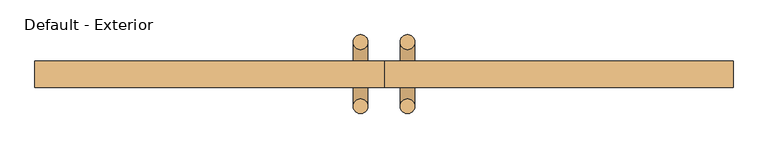
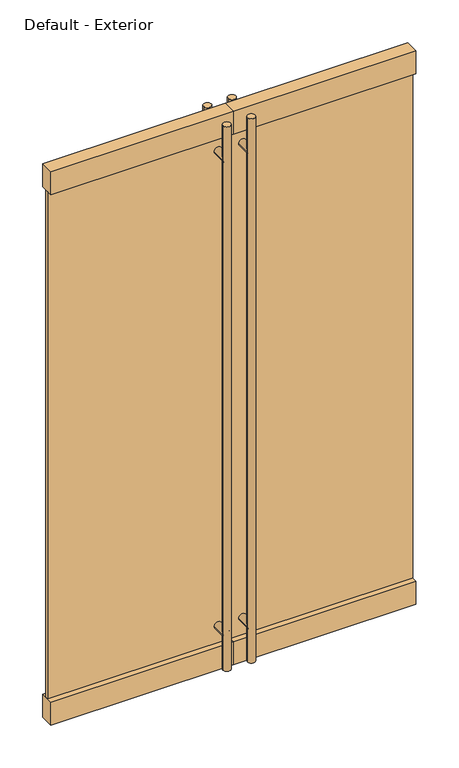
"""IFC4 building model written with IfcOpenShell, lengths in millimetres: door geometry, Default - Exterior."""

from ifc_helpers import new_model, si_unit, point, frame, frame_2d, origin, origin_with_axes, place, context, project, spatial, polyline, circle_curve, trimmed, segment, composite_curve, outline, extrude, source, transform, mapped, element, save


def default_exterior_d0bf066a(model_context):
    return source(origin(), model_context, "Body", "SweptSolid", [
        extrude(outline(composite_curve([segment(trimmed(circle_curve(frame_2d((2260.6, -50.8)), 15.875), [point((2260.6, -34.925))], [point((2260.6, -66.675))], False, "CARTESIAN"), True, "CONTINUOUS"), segment(trimmed(circle_curve(frame_2d((2260.6, -50.8)), 15.875), [point((2260.6, -66.675))], [point((2260.6, -34.925))], False, "CARTESIAN"), True, "CONTINUOUS")], self_intersect=False)), frame((0.0, -98.425, 0.0), z_axis=(0.0, 1.0, 0.0), x_axis=(0.0, 0.0, 1.0)), (0.0, 0.0, 1.0), 139.7),
        extrude(outline(composite_curve([segment(trimmed(circle_curve(frame_2d((177.8, -50.8)), 15.875), [point((177.8, -34.925))], [point((177.8, -66.675))], False, "CARTESIAN"), True, "CONTINUOUS"), segment(trimmed(circle_curve(frame_2d((177.8, -50.8)), 15.875), [point((177.8, -66.675))], [point((177.8, -34.925))], False, "CARTESIAN"), True, "CONTINUOUS")], self_intersect=False)), frame((0.0, -98.425, 0.0), z_axis=(0.0, 1.0, 0.0), x_axis=(0.0, 0.0, 1.0)), (0.0, 0.0, 1.0), 139.7),
        extrude(outline(composite_curve([segment(trimmed(circle_curve(frame_2d((-50.8, -98.425)), 15.875), [point((-34.925, -98.425))], [point((-66.675, -98.425))], False, "CARTESIAN"), True, "CONTINUOUS"), segment(trimmed(circle_curve(frame_2d((-50.8, -98.425)), 15.875), [point((-66.675, -98.425))], [point((-34.925, -98.425))], False, "CARTESIAN"), True, "CONTINUOUS")], self_intersect=False)), frame((0.0, 0.0, 25.4), z_axis=(0.0, 0.0, 1.0), x_axis=(1.0, 0.0, 0.0)), (0.0, 0.0, 1.0), 2387.6),
        extrude(outline(composite_curve([segment(trimmed(circle_curve(frame_2d((-50.8, 41.275)), 15.875), [point((-34.925, 41.275))], [point((-66.675, 41.275))], False, "CARTESIAN"), True, "CONTINUOUS"), segment(trimmed(circle_curve(frame_2d((-50.8, 41.275)), 15.875), [point((-66.675, 41.275))], [point((-34.925, 41.275))], False, "CARTESIAN"), True, "CONTINUOUS")], self_intersect=False)), frame((0.0, 0.0, 25.4), z_axis=(0.0, 0.0, 1.0), x_axis=(1.0, 0.0, 0.0)), (0.0, 0.0, 1.0), 2387.6),
        extrude(outline(composite_curve([segment(trimmed(circle_curve(frame_2d((2260.6, 50.8)), 15.875), [point((2260.6, 34.925))], [point((2260.6, 66.675))], False, "CARTESIAN"), True, "CONTINUOUS"), segment(trimmed(circle_curve(frame_2d((2260.6, 50.8)), 15.875), [point((2260.6, 66.675))], [point((2260.6, 34.925))], False, "CARTESIAN"), True, "CONTINUOUS")], self_intersect=False)), frame((0.0, -98.425, 0.0), z_axis=(0.0, 1.0, 0.0), x_axis=(0.0, 0.0, 1.0)), (0.0, 0.0, 1.0), 139.7),
        extrude(outline(composite_curve([segment(trimmed(circle_curve(frame_2d((177.8, 50.8)), 15.875), [point((177.8, 34.925))], [point((177.8, 66.675))], False, "CARTESIAN"), True, "CONTINUOUS"), segment(trimmed(circle_curve(frame_2d((177.8, 50.8)), 15.875), [point((177.8, 66.675))], [point((177.8, 34.925))], False, "CARTESIAN"), True, "CONTINUOUS")], self_intersect=False)), frame((0.0, -98.425, 0.0), z_axis=(0.0, 1.0, 0.0), x_axis=(0.0, 0.0, 1.0)), (0.0, 0.0, 1.0), 139.7),
        extrude(outline(composite_curve([segment(trimmed(circle_curve(frame_2d((50.8, -98.425)), 15.875), [point((34.925, -98.425))], [point((66.675, -98.425))], False, "CARTESIAN"), True, "CONTINUOUS"), segment(trimmed(circle_curve(frame_2d((50.8, -98.425)), 15.875), [point((66.675, -98.425))], [point((34.925, -98.425))], False, "CARTESIAN"), True, "CONTINUOUS")], self_intersect=False)), frame((0.0, 0.0, 25.4), z_axis=(0.0, 0.0, 1.0), x_axis=(1.0, 0.0, 0.0)), (0.0, 0.0, 1.0), 2387.6),
        extrude(outline(composite_curve([segment(trimmed(circle_curve(frame_2d((50.8, 41.275)), 15.875), [point((34.925, 41.275))], [point((66.675, 41.275))], False, "CARTESIAN"), True, "CONTINUOUS"), segment(trimmed(circle_curve(frame_2d((50.8, 41.275)), 15.875), [point((66.675, 41.275))], [point((34.925, 41.275))], False, "CARTESIAN"), True, "CONTINUOUS")], self_intersect=False)), frame((0.0, 0.0, 25.4), z_axis=(0.0, 0.0, 1.0), x_axis=(1.0, 0.0, 0.0)), (0.0, 0.0, 1.0), 2387.6),
        extrude(outline(polyline([(-757.2375, -57.15), (-757.2375, 0.0), (0.0, 0.0), (0.0, -57.15), (-757.2375, -57.15)])), frame((0.0, 0.0, 2327.275), z_axis=(0.0, 0.0, 1.0), x_axis=(1.0, 0.0, 0.0)), (0.0, 0.0, 1.0), 101.6),
        extrude(outline(polyline([(-757.2375, -57.15), (-757.2375, 0.0), (0.0, 0.0), (0.0, -57.15), (-757.2375, -57.15)])), origin_with_axes(), (0.0, 0.0, 1.0), 101.6),
        extrude(outline(polyline([(-757.2375, -34.925), (-757.2375, -22.225), (0.0, -22.225), (0.0, -34.925), (-757.2375, -34.925)])), frame((0.0, 0.0, 101.6), z_axis=(0.0, 0.0, 1.0), x_axis=(1.0, 0.0, 0.0)), (0.0, 0.0, 1.0), 2225.675),
        extrude(outline(polyline([(757.2375, -57.15), (0.0, -57.15), (0.0, 0.0), (757.2375, 0.0), (757.2375, -57.15)])), frame((0.0, 0.0, 2327.275), z_axis=(0.0, 0.0, 1.0), x_axis=(1.0, 0.0, 0.0)), (0.0, 0.0, 1.0), 101.6),
        extrude(outline(polyline([(757.2375, -57.15), (0.0, -57.15), (0.0, 0.0), (757.2375, 0.0), (757.2375, -57.15)])), origin_with_axes(), (0.0, 0.0, 1.0), 101.6),
        extrude(outline(polyline([(757.2375, -34.925), (0.0, -34.925), (0.0, -22.225), (757.2375, -22.225), (757.2375, -34.925)])), frame((0.0, 0.0, 101.6), z_axis=(0.0, 0.0, 1.0), x_axis=(1.0, 0.0, 0.0)), (0.0, 0.0, 1.0), 2225.675),
    ])


if __name__ == "__main__":
    model = new_model("IFC4")
    model_context = context("Model", 3, world=origin())
    ifc_project = project(units=[si_unit("LENGTHUNIT", "METRE", prefix="MILLI")], contexts=[model_context])
    site = spatial("IfcSite", under=ifc_project)
    building = spatial("IfcBuilding", under=site)
    placement = place(None, origin())
    default_exterior_shape = default_exterior_d0bf066a(model_context)
    element("IfcDoor", 1, ObjectType="Default - Exterior", at=placement, inside=building, context=model_context, shape_type="MappedRepresentation", body=[
        mapped(default_exterior_shape, transform((0.0, 0.0, 0.0), x_axis=(1.0, 0.0, 0.0), y_axis=(0.0, 1.0, 0.0), z_axis=(0.0, 0.0, 1.0))),
    ])
    save(model, "model.ifc")
